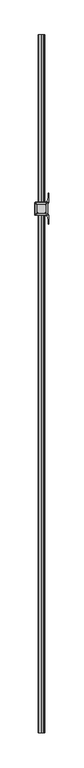
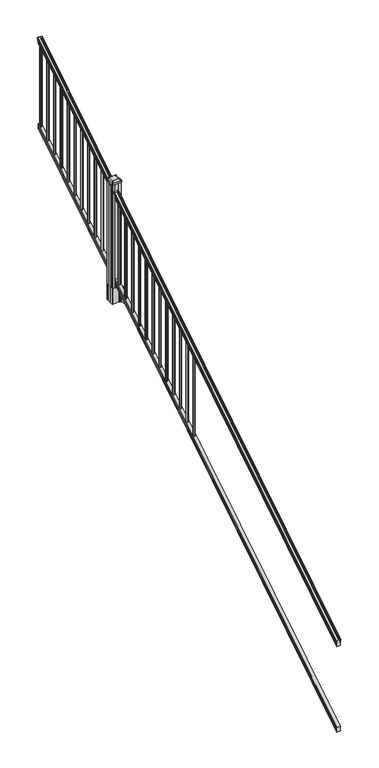
"""IFC4 building model written with IfcOpenShell, lengths in millimetres: railing geometry."""

from ifc_helpers import new_model, si_unit, point, frame, frame_2d, origin, place, context, project, spatial, polyline, circle_curve, ellipse_curve, trimmed, segment, composite_curve, outline, extrude, faceted_brep, source, transform, mapped, element, save
from ifc_brep_helpers import plane_surface, cylinder_surface, revolved_surface, extruded_surface, advanced_brep


def railing_015e70c7(model_context):
    return source(origin(), model_context, "Body", "SolidModel", [
        advanced_brep(
        [(6092.4754996, -22300.2194681, 1133.2070492), (6095.0493284, -22300.2194681, 1133.2070492), (6095.0493284, -22300.2194681, 1120.6394336), (6094.0333284, -22300.2194681, 1119.441318), (6094.0333284, -22300.2194681, 1104.9), (6125.7833284, -22300.2194681, 1104.9), (6125.7833284, -22300.2194681, 1119.6274214), (6124.7673284, -22300.2194681, 1120.825537), (6124.7673284, -22300.2194681, 1133.2070492), (6127.3411571, -22300.2194681, 1133.2070492), (6127.3411571, -22300.2194681, 1135.4335658), (6128.4713434, -22300.2194681, 1137.2758543), (6128.4713434, -22300.2194681, 1145.7876358), (6127.822087, -22300.2194681, 1148.6572588), (6130.322087, -22300.2194681, 1153.7635509), (6131.7314295, -22300.2194681, 1155.7442021), (6132.1333285, -22300.2194681, 1157.0469579), (6132.1333284, -22300.2194681, 1158.6274846), (6130.5798811, -22300.2194681, 1160.4593836), (6109.9083284, -22300.2194681, 1160.4593836), (6089.2367756, -22300.2194681, 1160.4593836), (6087.6833284, -22300.2194681, 1158.6274846), (6087.6833284, -22300.2194681, 1157.0469579), (6088.0852273, -22300.2194681, 1155.7442021), (6089.4945697, -22300.2194681, 1153.7635509), (6091.9945697, -22300.2194681, 1148.6572588), (6091.3453133, -22300.2194681, 1145.7876358), (6091.3453133, -22300.2194681, 1137.2758543), (6092.4754996, -22300.2194681, 1135.4335658), (6092.4754996, -17423.4194681, 4181.2070492), (6092.4754996, -17423.4194681, 4183.4335658), (6091.3453133, -17423.4194681, 4185.2758543), (6091.3453133, -17423.4194681, 4193.7876358), (6091.9945697, -17423.4194681, 4196.6572588), (6089.4945697, -17423.4194681, 4201.7635509), (6088.0852273, -17423.4194681, 4203.7442021), (6087.6833283, -17423.4194681, 4205.0469579), (6087.6833284, -17423.4194681, 4206.6274846), (6089.2367756, -17423.4194681, 4208.4593836), (6109.9083284, -17423.4194681, 4208.4593836), (6130.5798811, -17423.4194681, 4208.4593836), (6132.1333284, -17423.4194681, 4206.6274846), (6132.1333284, -17423.4194681, 4205.0469579), (6131.7314295, -17423.4194681, 4203.7442021), (6130.322087, -17423.4194681, 4201.7635509), (6127.822087, -17423.4194681, 4196.6572588), (6128.4713434, -17423.4194681, 4193.7876358), (6128.4713434, -17423.4194681, 4185.2758543), (6127.3411571, -17423.4194681, 4183.4335658), (6127.3411571, -17423.4194681, 4181.2070492), (6124.7673284, -17423.4194681, 4181.2070492), (6124.7673284, -17423.4194681, 4168.825537), (6125.7833284, -17423.4194681, 4167.6274214), (6125.7833284, -17423.4194681, 4152.9), (6094.0333284, -17423.4194681, 4152.9), (6094.0333284, -17423.4194681, 4167.441318), (6095.0493284, -17423.4194681, 4168.6394336), (6095.0493284, -17423.4194681, 4181.2070492)],
        [
            (0, 1, ellipse_curve(frame((6093.762414, -22300.2194681, 1133.2070492), z_axis=(0.0, -1.0, 0.0), x_axis=(0.0, 0.0, -1.0)), 1.5175907, 1.2869144)),
            (1, 2),
            (2, 3),
            (3, 4),
            (4, 5),
            (5, 6),
            (6, 7),
            (7, 8),
            (8, 9, ellipse_curve(frame((6126.0542427, -22300.2194681, 1133.2070492), z_axis=(0.0, -1.0, 0.0), x_axis=(0.0, 0.0, -1.0)), 1.5175907, 1.2869144)),
            (9, 10),
            (10, 11, ellipse_curve(frame((6121.0264038, -22300.2194681, 1142.2239405), z_axis=(0.0, -1.0, 0.0), x_axis=(0.0, 0.0, -1.0)), 10.0777926, 8.545951)),
            (11, 12, ellipse_curve(frame((6121.4634668, -22300.2194681, 1141.5317451), z_axis=(0.0, -1.0, 0.0), x_axis=(0.0, 0.0, -1.0)), 9.2955186, 7.882584)),
            (12, 13, ellipse_curve(frame((6131.9767909, -22300.2194681, 1148.4275077), z_axis=(0.0, 1.0, 0.0), x_axis=(0.0, 0.0, 1.0)), 4.9048088, 4.1592695)),
            (13, 14, ellipse_curve(frame((6133.2640975, -22300.2194681, 1148.3563208), z_axis=(0.0, 1.0, 0.0), x_axis=(0.0, 0.0, 1.0)), 6.4245301, 5.4479907)),
            (14, 15, ellipse_curve(frame((6132.030939, -22300.2194681, 1153.7602333), z_axis=(0.0, 1.0, 0.0), x_axis=(0.0, 0.0, 1.0)), 2.0151625, 1.7088543)),
            (15, 16, ellipse_curve(frame((6130.4140389, -22300.2194681, 1157.0469579), z_axis=(0.0, -1.0, 0.0), x_axis=(0.0, 0.0, -1.0)), 2.0274681, 1.7192895)),
            (16, 17),
            (17, 18, ellipse_curve(frame((6130.5798811, -22300.2194681, 1158.6274846), z_axis=(0.0, -1.0, 0.0), x_axis=(0.0, 0.0, -1.0)), 1.831899, 1.5534472)),
            (18, 19),
            (19, 20),
            (20, 21, ellipse_curve(frame((6089.2367756, -22300.2194681, 1158.6274846), z_axis=(0.0, -1.0, 0.0), x_axis=(0.0, 0.0, -1.0)), 1.831899, 1.5534472)),
            (21, 22),
            (22, 23, ellipse_curve(frame((6089.4026178, -22300.2194681, 1157.0469579), z_axis=(0.0, -1.0, 0.0), x_axis=(0.0, 0.0, -1.0)), 2.0274681, 1.7192895)),
            (23, 24, ellipse_curve(frame((6087.7857177, -22300.2194681, 1153.7602333), z_axis=(0.0, 1.0, 0.0), x_axis=(0.0, 0.0, 1.0)), 2.0151625, 1.7088543)),
            (24, 25, ellipse_curve(frame((6086.5525593, -22300.2194681, 1148.3563208), z_axis=(0.0, 1.0, 0.0), x_axis=(0.0, 0.0, 1.0)), 6.4245301, 5.4479907)),
            (25, 26, ellipse_curve(frame((6087.8398658, -22300.2194681, 1148.4275077), z_axis=(0.0, 1.0, 0.0), x_axis=(0.0, 0.0, 1.0)), 4.9048088, 4.1592695)),
            (26, 27, ellipse_curve(frame((6098.35319, -22300.2194681, 1141.5317451), z_axis=(0.0, -1.0, 0.0), x_axis=(0.0, 0.0, -1.0)), 9.2955186, 7.882584)),
            (27, 28, ellipse_curve(frame((6098.7902529, -22300.2194681, 1142.2239405), z_axis=(0.0, -1.0, 0.0), x_axis=(0.0, 0.0, -1.0)), 10.0777926, 8.545951)),
            (28, 0),
            (29, 30),
            (30, 31, ellipse_curve(frame((6098.7902529, -17423.4194681, 4190.2239405), z_axis=(0.0, 1.0, 0.0), x_axis=(0.0, 0.0, -1.0)), 10.0777926, 8.545951)),
            (31, 32, ellipse_curve(frame((6098.35319, -17423.4194681, 4189.5317451), z_axis=(0.0, 1.0, 0.0), x_axis=(0.0, 0.0, -1.0)), 9.2955186, 7.882584)),
            (32, 33, ellipse_curve(frame((6087.8398658, -17423.4194681, 4196.4275077), z_axis=(0.0, -1.0, 0.0), x_axis=(0.0, 0.0, 1.0)), 4.9048088, 4.1592695)),
            (33, 34, ellipse_curve(frame((6086.5525593, -17423.4194681, 4196.3563208), z_axis=(0.0, -1.0, 0.0), x_axis=(0.0, 0.0, 1.0)), 6.4245301, 5.4479907)),
            (34, 35, ellipse_curve(frame((6087.7857177, -17423.4194681, 4201.7602333), z_axis=(0.0, -1.0, 0.0), x_axis=(0.0, 0.0, 1.0)), 2.0151625, 1.7088543)),
            (35, 36, ellipse_curve(frame((6089.4026178, -17423.4194681, 4205.0469579), z_axis=(0.0, 1.0, 0.0), x_axis=(0.0, 0.0, -1.0)), 2.0274681, 1.7192895)),
            (36, 37),
            (37, 38, ellipse_curve(frame((6089.2367756, -17423.4194681, 4206.6274846), z_axis=(0.0, 1.0, 0.0), x_axis=(0.0, 0.0, -1.0)), 1.831899, 1.5534472)),
            (38, 39),
            (39, 40),
            (40, 41, ellipse_curve(frame((6130.5798811, -17423.4194681, 4206.6274846), z_axis=(0.0, 1.0, 0.0), x_axis=(0.0, 0.0, -1.0)), 1.831899, 1.5534472)),
            (41, 42),
            (42, 43, ellipse_curve(frame((6130.4140389, -17423.4194681, 4205.0469579), z_axis=(0.0, 1.0, 0.0), x_axis=(0.0, 0.0, -1.0)), 2.0274681, 1.7192895)),
            (43, 44, ellipse_curve(frame((6132.030939, -17423.4194681, 4201.7602333), z_axis=(0.0, -1.0, 0.0), x_axis=(0.0, 0.0, 1.0)), 2.0151625, 1.7088543)),
            (44, 45, ellipse_curve(frame((6133.2640975, -17423.4194681, 4196.3563208), z_axis=(0.0, -1.0, 0.0), x_axis=(0.0, 0.0, 1.0)), 6.4245301, 5.4479907)),
            (45, 46, ellipse_curve(frame((6131.9767909, -17423.4194681, 4196.4275077), z_axis=(0.0, -1.0, 0.0), x_axis=(0.0, 0.0, 1.0)), 4.9048088, 4.1592695)),
            (46, 47, ellipse_curve(frame((6121.4634668, -17423.4194681, 4189.5317451), z_axis=(0.0, 1.0, 0.0), x_axis=(0.0, 0.0, -1.0)), 9.2955186, 7.882584)),
            (47, 48, ellipse_curve(frame((6121.0264038, -17423.4194681, 4190.2239405), z_axis=(0.0, 1.0, 0.0), x_axis=(0.0, 0.0, -1.0)), 10.0777926, 8.545951)),
            (48, 49),
            (49, 50, ellipse_curve(frame((6126.0542427, -17423.4194681, 4181.2070492), z_axis=(0.0, 1.0, 0.0), x_axis=(0.0, 0.0, -1.0)), 1.5175907, 1.2869144)),
            (50, 51),
            (51, 52),
            (52, 53),
            (53, 54),
            (54, 55),
            (55, 56),
            (56, 57),
            (57, 29, ellipse_curve(frame((6093.762414, -17423.4194681, 4181.2070492), z_axis=(0.0, 1.0, 0.0), x_axis=(0.0, 0.0, -1.0)), 1.5175907, 1.2869144)),
            (28, 30),
            (29, 0),
            (27, 31),
            (26, 32),
            (25, 33),
            (24, 34),
            (23, 35),
            (22, 36),
            (21, 37),
            (20, 38),
            (19, 39),
            (18, 40),
            (17, 41),
            (16, 42),
            (15, 43),
            (14, 44),
            (13, 45),
            (12, 46),
            (11, 47),
            (10, 48),
            (9, 49),
            (8, 50),
            (7, 51),
            (6, 52),
            (5, 53),
            (4, 54),
            (3, 55),
            (2, 56),
            (1, 57),
        ],
        [
            plane_surface(frame((6109.9083284, -22300.2194681, 1104.9), z_axis=(0.0, -1.0, 0.0), x_axis=(0.0, 0.0, 1.0))),
            plane_surface(frame((6109.9083284, -17423.4194681, 4152.9), z_axis=(0.0, 1.0, 0.0), x_axis=(0.0, 0.0, 1.0))),
            plane_surface(frame((6092.4754996, -22300.2194681, 1135.4335658), z_axis=(-1.0, 0.0, 0.0), x_axis=(0.0, 0.8479983040051254, 0.5299989400031202))),
            cylinder_surface(frame((6098.7902529, -22316.9942728, 1131.7396876), z_axis=(0.0, -0.8479983040051254, -0.5299989400031202), x_axis=(1.0, 0.0, 0.0)), 8.545951),
            cylinder_surface(frame((6098.35319, -22316.6831737, 1131.241929), z_axis=(0.0, -0.8479983040051254, -0.5299989400031202), x_axis=(1.0, 0.0, 0.0)), 7.882584),
            revolved_surface(polyline([(6091.9991353, -17421.21505965035, 4197.805262980553), (6091.9991353, -22302.423876549437, 1147.0497524191003)]), (6087.8398658, -22319.7823929, 1136.2006797), (0.0, 0.8479983040051254, 0.5299989400031202)),
            revolved_surface(polyline([(6092.000550000001, -17420.53203883574, 4198.160964077182), (6092.000550000001, -22303.10689735281, 1146.551677504493)]), (6086.5525593, -22319.7503988, 1136.1494891), (0.0, 0.8479983040051254, 0.5299989400031202)),
            revolved_surface(polyline([(6089.494572, -17422.513777099783, 4202.326290199653), (6089.494572, -22301.12515912247, 1153.1941764359528)]), (6087.7857177, -22322.1791235, 1140.0354487), (0.0, 0.8479983040051254, 0.5299989400031202)),
            cylinder_surface(frame((6089.4026178, -22323.6563031, 1142.398936), z_axis=(0.0, -0.8479983040051254, -0.5299989400031202), x_axis=(1.0, 0.0, 0.0)), 1.7192895),
            plane_surface(frame((6087.6833284, -22300.2194681, 1158.6274846), z_axis=(-1.0, 0.0, 0.0), x_axis=(0.0, 0.8479983040051254, 0.5299989400031202))),
            cylinder_surface(frame((6089.2367756, -22324.3666522, 1143.5354945), z_axis=(0.0, -0.8479983040051254, -0.5299989400031202), x_axis=(1.0, 0.0, 0.0)), 1.5534472),
            plane_surface(frame((6109.9083284, -22300.2194681, 1160.4593836), z_axis=(0.0, -0.5299989400031202, 0.8479983040051254), x_axis=(0.0, 0.8479983040051254, 0.5299989400031202))),
            plane_surface(frame((6130.5798811, -22300.2194681, 1160.4593836), z_axis=(0.0, -0.5299989400031202, 0.8479983040051254), x_axis=(0.0, 0.8479983040051254, 0.5299989400031202))),
            cylinder_surface(frame((6130.5798811, -22324.3666522, 1143.5354945), z_axis=(0.0, -0.8479983040051254, -0.5299989400031202), x_axis=(-1.0, 0.0, 0.0)), 1.5534472),
            plane_surface(frame((6132.1333284, -22300.2194681, 1157.0469579), z_axis=(1.0, 0.0, 0.0), x_axis=(0.0, 0.8479983040051253, 0.5299989400031203))),
            cylinder_surface(frame((6130.4140389, -22323.6563031, 1142.398936), z_axis=(0.0, -0.8479983040051254, -0.5299989400031202), x_axis=(-1.0, 0.0, 0.0)), 1.7192895),
            revolved_surface(polyline([(6130.3220847, -17422.513777099783, 4202.326290199653), (6130.3220847, -22301.12515912247, 1153.1941764359528)]), (6132.030939, -22322.1791235, 1140.0354487), (0.0, 0.8479983040051254, 0.5299989400031202)),
            revolved_surface(polyline([(6127.8161068, -17420.53203883574, 4198.160964077182), (6127.8161068, -22303.10689735281, 1146.551677504493)]), (6133.2640975, -22319.7503988, 1136.1494891), (0.0, 0.8479983040051254, 0.5299989400031202)),
            revolved_surface(polyline([(6127.8175214, -17421.21505965035, 4197.805262980553), (6127.8175214, -22302.423876549437, 1147.0497524191003)]), (6131.9767909, -22319.7823929, 1136.2006797), (0.0, 0.8479983040051254, 0.5299989400031202)),
            cylinder_surface(frame((6121.4634668, -22316.6831737, 1131.241929), z_axis=(0.0, -0.8479983040051254, -0.5299989400031202), x_axis=(-1.0, 0.0, 0.0)), 7.882584),
            cylinder_surface(frame((6121.0264038, -22316.9942728, 1131.7396876), z_axis=(0.0, -0.8479983040051254, -0.5299989400031202), x_axis=(-1.0, 0.0, 0.0)), 8.545951),
            plane_surface(frame((6127.3411571, -22300.2194681, 1133.2070492), z_axis=(1.0, 0.0, 0.0), x_axis=(0.0, 0.8479983040051254, 0.5299989400031202))),
            cylinder_surface(frame((6126.0542427, -22312.9417374, 1125.2556309), z_axis=(0.0, -0.8479983040051254, -0.5299989400031202), x_axis=(-1.0, 0.0, 0.0)), 1.2869144),
            plane_surface(frame((6124.7673284, -22300.2194681, 1120.825537), z_axis=(1.0, 0.0, 0.0), x_axis=(0.0, 0.8479983040051254, 0.5299989400031202))),
            plane_surface(frame((6125.7833284, -22300.2194681, 1119.6274214), z_axis=(0.7071067811865426, -0.3747658444978919, 0.5996253511967194), x_axis=(0.0, 0.8479983040051254, 0.5299989400031202))),
            plane_surface(frame((6125.7833284, -22300.2194681, 1104.9), z_axis=(1.0, 0.0, 0.0), x_axis=(0.0, 0.8479983040051254, 0.5299989400031202))),
            plane_surface(frame((6094.0333284, -22300.2194681, 1104.9), z_axis=(0.0, 0.5299989400031202, -0.8479983040051254), x_axis=(0.0, 0.8479983040051254, 0.5299989400031202))),
            plane_surface(frame((6094.0333284, -22300.2194681, 1119.441318), z_axis=(-1.0, 0.0, 0.0), x_axis=(0.0, 0.8479983040051254, 0.5299989400031202))),
            plane_surface(frame((6095.0493284, -22300.2194681, 1120.6394336), z_axis=(-0.7071067811865401, -0.37476584449789163, 0.5996253511967224), x_axis=(0.0, 0.8479983040051254, 0.5299989400031202))),
            plane_surface(frame((6095.0493284, -22300.2194681, 1133.2070492), z_axis=(-1.0, 0.0, 0.0), x_axis=(0.0, 0.8479983040051254, 0.5299989400031202))),
            cylinder_surface(frame((6093.762414, -22312.9417374, 1125.2556309), z_axis=(0.0, -0.8479983040051254, -0.5299989400031202), x_axis=(1.0, 0.0, 0.0)), 1.2869144),
        ],
        [
            (0, [[1, 2, 3, 4, 5, 6, 7, 8, 9, 10, 11, 12, 13, 14, 15, 16, 17, 18, 19, 20, 21, 22, 23, 24, 25, 26, 27, 28, 29]]),
            (1, [[30, 31, 32, 33, 34, 35, 36, 37, 38, 39, 40, 41, 42, 43, 44, 45, 46, 47, 48, 49, 50, 51, 52, 53, 54, 55, 56, 57, 58]]),
            (2, [[-29, 59, -30, 60]]),
            (3, [[-28, 61, -31, -59]]),
            (4, [[-27, 62, -32, -61]]),
            (5, [[-26, 63, -33, -62]]),
            (6, [[-25, 64, -34, -63]]),
            (7, [[-24, 65, -35, -64]]),
            (8, [[-23, 66, -36, -65]]),
            (9, [[-22, 67, -37, -66]]),
            (10, [[-21, 68, -38, -67]]),
            (11, [[-20, 69, -39, -68]]),
            (12, [[-19, 70, -40, -69]]),
            (13, [[-18, 71, -41, -70]]),
            (14, [[-17, 72, -42, -71]]),
            (15, [[-16, 73, -43, -72]]),
            (16, [[-15, 74, -44, -73]]),
            (17, [[-14, 75, -45, -74]]),
            (18, [[-13, 76, -46, -75]]),
            (19, [[-12, 77, -47, -76]]),
            (20, [[-11, 78, -48, -77]]),
            (21, [[-10, 79, -49, -78]]),
            (22, [[-9, 80, -50, -79]]),
            (23, [[-8, 81, -51, -80]]),
            (24, [[-7, 82, -52, -81]]),
            (25, [[-6, 83, -53, -82]]),
            (26, [[-5, 84, -54, -83]]),
            (27, [[-4, 85, -55, -84]]),
            (28, [[-3, 86, -56, -85]]),
            (29, [[-2, 87, -57, -86]]),
            (30, [[-1, -60, -58, -87]]),
        ],
    ),
        faceted_brep([(6093.9958415, -22300.2194681, 268.8045079), (6093.9958415, -22300.2194681, 254.0), (6125.7458415, -22300.2194681, 254.0), (6125.7458415, -22300.2194681, 268.7848772), (6124.7298415, -22300.2194681, 270.3748303), (6124.7298415, -22300.2194681, 282.5348741), (6125.7458415, -22300.2194681, 284.1248272), (6125.7458415, -22300.2194681, 298.9244744), (6093.9958415, -22300.2194681, 298.9244744), (6093.9958415, -22300.2194681, 284.1444579), (6095.0118415, -22300.2194681, 282.5545048), (6095.0118415, -22300.2194681, 270.338026), (6093.9958415, -17423.4194681, 3316.8045079), (6095.0118415, -17423.4194681, 3318.338026), (6095.0118415, -17423.4194681, 3330.5545048), (6093.9958415, -17423.4194681, 3332.1444579), (6093.9958415, -17423.4194681, 3346.9244744), (6125.7458415, -17423.4194681, 3346.9244744), (6125.7458415, -17423.4194681, 3332.1248272), (6124.7298415, -17423.4194681, 3330.5348741), (6124.7298415, -17423.4194681, 3318.3748303), (6125.7458415, -17423.4194681, 3316.7848772), (6125.7458415, -17423.4194681, 3302.0), (6093.9958415, -17423.4194681, 3302.0)], [[[0, 1, 2, 3, 4, 5, 6, 7, 8, 9, 10, 11]], [[12, 13, 14, 15, 16, 17, 18, 19, 20, 21, 22, 23]], [[0, 11, 13, 12]], [[11, 10, 14, 13]], [[10, 9, 15, 14]], [[9, 8, 16, 15]], [[8, 7, 17, 16]], [[7, 6, 18, 17]], [[6, 5, 19, 18]], [[5, 4, 20, 19]], [[4, 3, 21, 20]], [[3, 2, 22, 21]], [[2, 1, 23, 22]], [[1, 0, 12, 23]]]),
        extrude(outline(composite_curve([segment(trimmed(circle_curve(frame_2d((6109.9083284, -17445.0094681)), 9.525), [point((6100.3833284, -17445.0094681))], [point((6109.9083284, -17435.4844681))], False, "CARTESIAN"), True, "CONTINUOUS"), segment(trimmed(circle_curve(frame_2d((6109.9083284, -17445.0094681)), 9.525), [point((6109.9083284, -17435.4844681))], [point((6119.4333284, -17445.0094681))], False, "CARTESIAN"), True, "CONTINUOUS"), segment(trimmed(circle_curve(frame_2d((6109.9083284, -17445.0094681)), 9.525), [point((6119.4333284, -17445.0094681))], [point((6109.9083284, -17454.5344681))], False, "CARTESIAN"), True, "CONTINUOUS"), segment(trimmed(circle_curve(frame_2d((6109.9083284, -17445.0094681)), 9.525), [point((6109.9083284, -17454.5344681))], [point((6100.3833284, -17445.0094681))], False, "CARTESIAN"), True, "CONTINUOUS")], self_intersect=False)), frame((0.0, 0.0, 3326.6021281), z_axis=(0.0, 0.0, 1.0), x_axis=(1.0, 0.0, 0.0)), (0.0, 0.0, 1.0), 812.8041219),
        extrude(outline(composite_curve([segment(trimmed(circle_curve(frame_2d((6109.9083284, -17556.2614681)), 9.525), [point((6100.3833284, -17556.2614681))], [point((6109.9083284, -17546.7364681))], False, "CARTESIAN"), True, "CONTINUOUS"), segment(trimmed(circle_curve(frame_2d((6109.9083284, -17556.2614681)), 9.525), [point((6109.9083284, -17546.7364681))], [point((6119.4333284, -17556.2614681))], False, "CARTESIAN"), True, "CONTINUOUS"), segment(trimmed(circle_curve(frame_2d((6109.9083284, -17556.2614681)), 9.525), [point((6119.4333284, -17556.2614681))], [point((6109.9083284, -17565.7864681))], False, "CARTESIAN"), True, "CONTINUOUS"), segment(trimmed(circle_curve(frame_2d((6109.9083284, -17556.2614681)), 9.525), [point((6109.9083284, -17565.7864681))], [point((6100.3833284, -17556.2614681))], False, "CARTESIAN"), True, "CONTINUOUS")], self_intersect=False)), frame((0.0, 0.0, 3257.0696281), z_axis=(0.0, 0.0, 1.0), x_axis=(1.0, 0.0, 0.0)), (0.0, 0.0, 1.0), 812.8041219),
        extrude(outline(composite_curve([segment(trimmed(circle_curve(frame_2d((6109.9083284, -17667.5134681)), 9.525), [point((6100.3833284, -17667.5134681))], [point((6109.9083284, -17657.9884681))], False, "CARTESIAN"), True, "CONTINUOUS"), segment(trimmed(circle_curve(frame_2d((6109.9083284, -17667.5134681)), 9.525), [point((6109.9083284, -17657.9884681))], [point((6119.4333284, -17667.5134681))], False, "CARTESIAN"), True, "CONTINUOUS"), segment(trimmed(circle_curve(frame_2d((6109.9083284, -17667.5134681)), 9.525), [point((6119.4333284, -17667.5134681))], [point((6109.9083284, -17677.0384681))], False, "CARTESIAN"), True, "CONTINUOUS"), segment(trimmed(circle_curve(frame_2d((6109.9083284, -17667.5134681)), 9.525), [point((6109.9083284, -17677.0384681))], [point((6100.3833284, -17667.5134681))], False, "CARTESIAN"), True, "CONTINUOUS")], self_intersect=False)), frame((0.0, 0.0, 3187.5371281), z_axis=(0.0, 0.0, 1.0), x_axis=(1.0, 0.0, 0.0)), (0.0, 0.0, 1.0), 812.8041219),
        extrude(outline(composite_curve([segment(trimmed(circle_curve(frame_2d((6109.9083284, -17778.7654681)), 9.525), [point((6100.3833284, -17778.7654681))], [point((6109.9083284, -17769.2404681))], False, "CARTESIAN"), True, "CONTINUOUS"), segment(trimmed(circle_curve(frame_2d((6109.9083284, -17778.7654681)), 9.525), [point((6109.9083284, -17769.2404681))], [point((6119.4333284, -17778.7654681))], False, "CARTESIAN"), True, "CONTINUOUS"), segment(trimmed(circle_curve(frame_2d((6109.9083284, -17778.7654681)), 9.525), [point((6119.4333284, -17778.7654681))], [point((6109.9083284, -17788.2904681))], False, "CARTESIAN"), True, "CONTINUOUS"), segment(trimmed(circle_curve(frame_2d((6109.9083284, -17778.7654681)), 9.525), [point((6109.9083284, -17788.2904681))], [point((6100.3833284, -17778.7654681))], False, "CARTESIAN"), True, "CONTINUOUS")], self_intersect=False)), frame((0.0, 0.0, 3118.0046281), z_axis=(0.0, 0.0, 1.0), x_axis=(1.0, 0.0, 0.0)), (0.0, 0.0, 1.0), 812.8041219),
        extrude(outline(composite_curve([segment(trimmed(circle_curve(frame_2d((6109.9083284, -17890.0174681)), 9.525), [point((6100.3833284, -17890.0174681))], [point((6109.9083284, -17880.4924681))], False, "CARTESIAN"), True, "CONTINUOUS"), segment(trimmed(circle_curve(frame_2d((6109.9083284, -17890.0174681)), 9.525), [point((6109.9083284, -17880.4924681))], [point((6119.4333284, -17890.0174681))], False, "CARTESIAN"), True, "CONTINUOUS"), segment(trimmed(circle_curve(frame_2d((6109.9083284, -17890.0174681)), 9.525), [point((6119.4333284, -17890.0174681))], [point((6109.9083284, -17899.5424681))], False, "CARTESIAN"), True, "CONTINUOUS"), segment(trimmed(circle_curve(frame_2d((6109.9083284, -17890.0174681)), 9.525), [point((6109.9083284, -17899.5424681))], [point((6100.3833284, -17890.0174681))], False, "CARTESIAN"), True, "CONTINUOUS")], self_intersect=False)), frame((0.0, 0.0, 3048.4721281), z_axis=(0.0, 0.0, 1.0), x_axis=(1.0, 0.0, 0.0)), (0.0, 0.0, 1.0), 812.8041219),
        extrude(outline(composite_curve([segment(trimmed(circle_curve(frame_2d((6109.9083284, -18001.2694681)), 9.525), [point((6100.3833284, -18001.2694681))], [point((6109.9083284, -17991.7444681))], False, "CARTESIAN"), True, "CONTINUOUS"), segment(trimmed(circle_curve(frame_2d((6109.9083284, -18001.2694681)), 9.525), [point((6109.9083284, -17991.7444681))], [point((6119.4333284, -18001.2694681))], False, "CARTESIAN"), True, "CONTINUOUS"), segment(trimmed(circle_curve(frame_2d((6109.9083284, -18001.2694681)), 9.525), [point((6119.4333284, -18001.2694681))], [point((6109.9083284, -18010.7944681))], False, "CARTESIAN"), True, "CONTINUOUS"), segment(trimmed(circle_curve(frame_2d((6109.9083284, -18001.2694681)), 9.525), [point((6109.9083284, -18010.7944681))], [point((6100.3833284, -18001.2694681))], False, "CARTESIAN"), True, "CONTINUOUS")], self_intersect=False)), frame((0.0, 0.0, 2978.9396281), z_axis=(0.0, 0.0, 1.0), x_axis=(1.0, 0.0, 0.0)), (0.0, 0.0, 1.0), 812.8041219),
        extrude(outline(composite_curve([segment(trimmed(circle_curve(frame_2d((6109.9083284, -18112.5214681)), 9.525), [point((6100.3833284, -18112.5214681))], [point((6109.9083284, -18102.9964681))], False, "CARTESIAN"), True, "CONTINUOUS"), segment(trimmed(circle_curve(frame_2d((6109.9083284, -18112.5214681)), 9.525), [point((6109.9083284, -18102.9964681))], [point((6119.4333284, -18112.5214681))], False, "CARTESIAN"), True, "CONTINUOUS"), segment(trimmed(circle_curve(frame_2d((6109.9083284, -18112.5214681)), 9.525), [point((6119.4333284, -18112.5214681))], [point((6109.9083284, -18122.0464681))], False, "CARTESIAN"), True, "CONTINUOUS"), segment(trimmed(circle_curve(frame_2d((6109.9083284, -18112.5214681)), 9.525), [point((6109.9083284, -18122.0464681))], [point((6100.3833284, -18112.5214681))], False, "CARTESIAN"), True, "CONTINUOUS")], self_intersect=False)), frame((0.0, 0.0, 2909.4071281), z_axis=(0.0, 0.0, 1.0), x_axis=(1.0, 0.0, 0.0)), (0.0, 0.0, 1.0), 812.8041219),
        extrude(outline(composite_curve([segment(trimmed(circle_curve(frame_2d((6109.9083284, -18223.7734681)), 9.525), [point((6100.3833284, -18223.7734681))], [point((6109.9083284, -18214.2484681))], False, "CARTESIAN"), True, "CONTINUOUS"), segment(trimmed(circle_curve(frame_2d((6109.9083284, -18223.7734681)), 9.525), [point((6109.9083284, -18214.2484681))], [point((6119.4333284, -18223.7734681))], False, "CARTESIAN"), True, "CONTINUOUS"), segment(trimmed(circle_curve(frame_2d((6109.9083284, -18223.7734681)), 9.525), [point((6119.4333284, -18223.7734681))], [point((6109.9083284, -18233.2984681))], False, "CARTESIAN"), True, "CONTINUOUS"), segment(trimmed(circle_curve(frame_2d((6109.9083284, -18223.7734681)), 9.525), [point((6109.9083284, -18233.2984681))], [point((6100.3833284, -18223.7734681))], False, "CARTESIAN"), True, "CONTINUOUS")], self_intersect=False)), frame((0.0, 0.0, 2839.8746281), z_axis=(0.0, 0.0, 1.0), x_axis=(1.0, 0.0, 0.0)), (0.0, 0.0, 1.0), 812.8041219),
        extrude(outline(composite_curve([segment(trimmed(circle_curve(frame_2d((6109.9083284, -18335.0254681)), 9.525), [point((6100.3833284, -18335.0254681))], [point((6109.9083284, -18325.5004681))], False, "CARTESIAN"), True, "CONTINUOUS"), segment(trimmed(circle_curve(frame_2d((6109.9083284, -18335.0254681)), 9.525), [point((6109.9083284, -18325.5004681))], [point((6119.4333284, -18335.0254681))], False, "CARTESIAN"), True, "CONTINUOUS"), segment(trimmed(circle_curve(frame_2d((6109.9083284, -18335.0254681)), 9.525), [point((6119.4333284, -18335.0254681))], [point((6109.9083284, -18344.5504681))], False, "CARTESIAN"), True, "CONTINUOUS"), segment(trimmed(circle_curve(frame_2d((6109.9083284, -18335.0254681)), 9.525), [point((6109.9083284, -18344.5504681))], [point((6100.3833284, -18335.0254681))], False, "CARTESIAN"), True, "CONTINUOUS")], self_intersect=False)), frame((0.0, 0.0, 2770.3421281), z_axis=(0.0, 0.0, 1.0), x_axis=(1.0, 0.0, 0.0)), (0.0, 0.0, 1.0), 812.8041219),
        extrude(outline(composite_curve([segment(trimmed(circle_curve(frame_2d((6109.9083284, -18446.2774681)), 9.525), [point((6100.3833284, -18446.2774681))], [point((6109.9083284, -18436.7524681))], False, "CARTESIAN"), True, "CONTINUOUS"), segment(trimmed(circle_curve(frame_2d((6109.9083284, -18446.2774681)), 9.525), [point((6109.9083284, -18436.7524681))], [point((6119.4333284, -18446.2774681))], False, "CARTESIAN"), True, "CONTINUOUS"), segment(trimmed(circle_curve(frame_2d((6109.9083284, -18446.2774681)), 9.525), [point((6119.4333284, -18446.2774681))], [point((6109.9083284, -18455.8024681))], False, "CARTESIAN"), True, "CONTINUOUS"), segment(trimmed(circle_curve(frame_2d((6109.9083284, -18446.2774681)), 9.525), [point((6109.9083284, -18455.8024681))], [point((6100.3833284, -18446.2774681))], False, "CARTESIAN"), True, "CONTINUOUS")], self_intersect=False)), frame((0.0, 0.0, 2700.8096281), z_axis=(0.0, 0.0, 1.0), x_axis=(1.0, 0.0, 0.0)), (0.0, 0.0, 1.0), 812.8041219),
        extrude(outline(composite_curve([segment(trimmed(circle_curve(frame_2d((6109.9083284, -18557.5294681)), 9.525), [point((6100.3833284, -18557.5294681))], [point((6109.9083284, -18548.0044681))], False, "CARTESIAN"), True, "CONTINUOUS"), segment(trimmed(circle_curve(frame_2d((6109.9083284, -18557.5294681)), 9.525), [point((6109.9083284, -18548.0044681))], [point((6119.4333284, -18557.5294681))], False, "CARTESIAN"), True, "CONTINUOUS"), segment(trimmed(circle_curve(frame_2d((6109.9083284, -18557.5294681)), 9.525), [point((6119.4333284, -18557.5294681))], [point((6109.9083284, -18567.0544681))], False, "CARTESIAN"), True, "CONTINUOUS"), segment(trimmed(circle_curve(frame_2d((6109.9083284, -18557.5294681)), 9.525), [point((6109.9083284, -18567.0544681))], [point((6100.3833284, -18557.5294681))], False, "CARTESIAN"), True, "CONTINUOUS")], self_intersect=False)), frame((0.0, 0.0, 2631.2771281), z_axis=(0.0, 0.0, 1.0), x_axis=(1.0, 0.0, 0.0)), (0.0, 0.0, 1.0), 812.8041219),
        extrude(outline(composite_curve([segment(polyline([(6067.1728284, -18655.941563), (6067.1728284, -18621.1693732), (6065.5853284, -18620.4073732), (6065.5853284, -18597.6054452), (6068.9583054, -18594.2324681), (6130.4179763, -18594.2324681), (6130.4179763, -18593.3117181), (6135.7355201, -18593.3117181), (6135.7355201, -18591.8574634), (6140.8200498, -18591.8574634), (6140.8200498, -18590.5734396), (6142.4873221, -18590.5734396)]), True, "CONTINUOUS"), segment(trimmed(circle_curve(frame_2d((6142.4873221, -18583.5139797)), 7.0594599), [point((6142.4873221, -18590.5734396))], [point((6149.2545849, -18585.5239864))], True, "CARTESIAN"), True, "CONTINUOUS"), segment(polyline([(6149.2545849, -18585.5239864), (6157.1287792, -18559.0132573)]), True, "CONTINUOUS"), segment(trimmed(circle_curve(frame_2d((6102.3442659, -18542.7412076)), 57.15), [point((6157.1287792, -18559.0132573))], [point((6159.4942659, -18542.7412076))], True, "CARTESIAN"), True, "CONTINUOUS"), segment(polyline([(6159.4942659, -18542.7412076), (6159.4942659, -18530.7324681), (6162.4942659, -18530.7324681), (6162.4942659, -18595.8199681), (6154.2313284, -18607.1582594), (6154.2313284, -18620.4073732), (6152.6438284, -18621.1693732), (6152.6438284, -18655.941563), (6154.2313284, -18656.703563), (6154.2313284, -18669.9526768), (6162.4942659, -18681.2909681), (6162.4942659, -18746.3784681), (6159.4942659, -18746.3784681), (6159.4942659, -18734.3697285)]), True, "CONTINUOUS"), segment(trimmed(circle_curve(frame_2d((6102.3442659, -18734.3697285)), 57.15), [point((6159.4942659, -18734.3697285))], [point((6157.1287792, -18718.0976789))], True, "CARTESIAN"), True, "CONTINUOUS"), segment(polyline([(6157.1287792, -18718.0976789), (6149.2545849, -18691.5869498)]), True, "CONTINUOUS"), segment(trimmed(circle_curve(frame_2d((6142.4873221, -18693.5969565)), 7.0594599), [point((6149.2545849, -18691.5869498))], [point((6142.4873221, -18686.5374966))], True, "CARTESIAN"), True, "CONTINUOUS"), segment(polyline([(6142.4873221, -18686.5374966), (6140.8200498, -18686.5374966), (6140.8200498, -18685.2534728), (6135.7355201, -18685.2534728), (6135.7355201, -18683.7992181), (6130.4179763, -18683.7992181), (6130.4179763, -18682.8784681), (6068.9583054, -18682.8784681), (6065.5853284, -18679.505491), (6065.5853284, -18656.703563), (6067.1728284, -18655.941563)]), True, "CONTINUOUS")], self_intersect=False), holes=[polyline([(6151.1833284, -18598.8679681), (6149.5958284, -18597.2804681), (6112.6715458, -18597.2804681), (6070.2208284, -18597.2804681), (6068.6333284, -18598.8679681), (6068.6333284, -18678.2429681), (6070.2208284, -18679.8304681), (6112.6715458, -18679.8304681), (6149.5958284, -18679.8304681), (6151.1833284, -18678.2429681), (6151.1833284, -18598.8679681)])]), frame((0.0, 0.0, 2326.64), z_axis=(0.0, 0.0, 1.0), x_axis=(1.0, 0.0, 0.0)), (0.0, 0.0, 1.0), 152.4),
        advanced_brep(
        [(6135.7052034, -18667.5273431, 3538.979263), (6138.8802034, -18664.3523431, 3538.979263), (6138.8802034, -18612.7585931, 3538.979263), (6135.7052034, -18609.5835931, 3538.979263), (6084.1114534, -18609.5835931, 3538.979263), (6080.9364534, -18612.7585931, 3538.979263), (6080.9364534, -18664.3523431, 3538.979263), (6084.1114534, -18667.5273431, 3538.979263), (6151.9770784, -18683.7992181, 3527.676263), (6067.8395784, -18683.7992181, 3527.676263), (6064.6645784, -18680.6242181, 3527.676263), (6064.6645784, -18596.4867181, 3527.676263), (6067.8395784, -18593.3117181, 3527.676263), (6151.9770784, -18593.3117181, 3527.676263), (6155.1520784, -18596.4867181, 3527.676263), (6155.1520784, -18680.6242181, 3527.676263)],
        [
            (0, 1, circle_curve(frame((6135.7052034, -18664.3523431, 3538.979263), z_axis=(0.0, 0.0, 1.0), x_axis=(0.0, 1.0, 0.0)), 3.175)),
            (1, 2),
            (2, 3, circle_curve(frame((6135.7052034, -18612.7585931, 3538.979263), z_axis=(0.0, 0.0, 1.0), x_axis=(0.0, 1.0, 0.0)), 3.175)),
            (3, 4),
            (4, 5, circle_curve(frame((6084.1114534, -18612.7585931, 3538.979263), z_axis=(0.0, 0.0, 1.0), x_axis=(0.0, 1.0, 0.0)), 3.175)),
            (5, 6),
            (6, 7, circle_curve(frame((6084.1114534, -18664.3523431, 3538.979263), z_axis=(0.0, 0.0, 1.0), x_axis=(0.0, 1.0, 0.0)), 3.175)),
            (7, 0),
            (8, 9),
            (9, 10, circle_curve(frame((6067.8395784, -18680.6242181, 3527.676263), z_axis=(0.0, 0.0, -1.0), x_axis=(0.0, 1.0, 0.0)), 3.175)),
            (10, 11),
            (11, 12, circle_curve(frame((6067.8395784, -18596.4867181, 3527.676263), z_axis=(0.0, 0.0, -1.0), x_axis=(0.0, 1.0, 0.0)), 3.175)),
            (12, 13),
            (13, 14, circle_curve(frame((6151.9770784, -18596.4867181, 3527.676263), z_axis=(0.0, 0.0, -1.0), x_axis=(0.0, 1.0, 0.0)), 3.175)),
            (14, 15),
            (15, 8, circle_curve(frame((6151.9770784, -18680.6242181, 3527.676263), z_axis=(0.0, 0.0, -1.0), x_axis=(0.0, 1.0, 0.0)), 3.175)),
            (15, 1),
            (0, 8),
            (14, 2),
            (13, 3),
            (12, 4),
            (11, 5),
            (10, 6),
            (9, 7),
        ],
        [
            plane_surface(frame((6109.9083284, -18638.5554681, 3538.979263), z_axis=(0.0, 0.0, 1.0), x_axis=(1.0, 0.0, 0.0))),
            plane_surface(frame((6109.9083284, -18638.5554681, 3527.676263), z_axis=(0.0, 0.0, -1.0), x_axis=(1.0, 0.0, 0.0))),
            extruded_surface(trimmed(circle_curve(frame((6151.9770784, -18680.6242181, 3527.676263), z_axis=(0.0, 0.0, 1.0), x_axis=(0.0, 1.0, 0.0)), 3.175), [point((6151.9770784, -18683.7992181, 3527.676263))], [point((6155.1520784, -18680.6242181, 3527.676263))], True, "CARTESIAN"), (-16.271875000000364, 16.271875000002183, 11.303000000000338), 25.63797263886793),
            plane_surface(frame((6155.1520784, -18638.5554681, 3527.676263), z_axis=(0.5705009161540778, 0.0, 0.8212969649690408), x_axis=(0.0, 1.0, 0.0))),
            extruded_surface(trimmed(circle_curve(frame((6151.9770784, -18596.4867181, 3527.676263), z_axis=(0.0, 0.0, 1.0), x_axis=(0.0, 1.0, 0.0)), 3.175), [point((6155.1520784, -18596.4867181, 3527.676263))], [point((6151.9770784, -18593.3117181, 3527.676263))], True, "CARTESIAN"), (-16.271875000000364, -16.271874999998545, 11.303000000000338), 25.63797263886562),
            plane_surface(frame((6109.9083284, -18593.3117181, 3527.676263), z_axis=(0.0, 0.5705009161540291, 0.8212969649690747), x_axis=(-1.0, 0.0, 0.0))),
            extruded_surface(trimmed(circle_curve(frame((6067.8395784, -18596.4867181, 3527.676263), z_axis=(0.0, 0.0, 1.0), x_axis=(0.0, 1.0, 0.0)), 3.175), [point((6067.8395784, -18593.3117181, 3527.676263))], [point((6064.6645784, -18596.4867181, 3527.676263))], True, "CARTESIAN"), (16.271874999999454, -16.271874999998545, 11.303000000000338), 25.63797263886504),
            plane_surface(frame((6064.6645784, -18638.5554681, 3527.676263), z_axis=(-0.5705009161540142, 0.0, 0.8212969649690851), x_axis=(0.0, -1.0, 0.0))),
            extruded_surface(trimmed(circle_curve(frame((6067.8395784, -18680.6242181, 3527.676263), z_axis=(0.0, 0.0, 1.0), x_axis=(0.0, 1.0, 0.0)), 3.175), [point((6064.6645784, -18680.6242181, 3527.676263))], [point((6067.8395784, -18683.7992181, 3527.676263))], True, "CARTESIAN"), (16.271874999999454, 16.271875000002183, 11.303000000000338), 25.637972638867353),
            plane_surface(frame((6109.9083284, -18683.7992181, 3527.676263), z_axis=(0.0, -0.570500916154034, 0.8212969649690713), x_axis=(1.0, 0.0, 0.0))),
        ],
        [
            (0, [[1, 2, 3, 4, 5, 6, 7, 8]]),
            (1, [[9, 10, 11, 12, 13, 14, 15, 16]]),
            (2, [[-16, 17, -1, 18]]),
            (3, [[-15, 19, -2, -17]]),
            (4, [[-14, 20, -3, -19]]),
            (5, [[-13, 21, -4, -20]]),
            (6, [[-12, 22, -5, -21]]),
            (7, [[-11, 23, -6, -22]]),
            (8, [[-10, 24, -7, -23]]),
            (9, [[-9, -18, -8, -24]]),
        ],
    ),
        extrude(outline(composite_curve([segment(polyline([(6151.9770784, -18683.7992181), (6067.8395784, -18683.7992181)]), True, "CONTINUOUS"), segment(trimmed(circle_curve(frame_2d((6067.8395784, -18680.6242181)), 3.175), [point((6067.8395784, -18683.7992181))], [point((6064.6645784, -18680.6242181))], False, "CARTESIAN"), True, "CONTINUOUS"), segment(polyline([(6064.6645784, -18680.6242181), (6064.6645784, -18596.4867181)]), True, "CONTINUOUS"), segment(trimmed(circle_curve(frame_2d((6067.8395784, -18596.4867181)), 3.175), [point((6064.6645784, -18596.4867181))], [point((6067.8395784, -18593.3117181))], False, "CARTESIAN"), True, "CONTINUOUS"), segment(polyline([(6067.8395784, -18593.3117181), (6151.9770784, -18593.3117181)]), True, "CONTINUOUS"), segment(trimmed(circle_curve(frame_2d((6151.9770784, -18596.4867181)), 3.175), [point((6151.9770784, -18593.3117181))], [point((6155.1520784, -18596.4867181))], False, "CARTESIAN"), True, "CONTINUOUS"), segment(polyline([(6155.1520784, -18596.4867181), (6155.1520784, -18680.6242181)]), True, "CONTINUOUS"), segment(trimmed(circle_curve(frame_2d((6151.9770784, -18680.6242181)), 3.175), [point((6155.1520784, -18680.6242181))], [point((6151.9770784, -18683.7992181))], False, "CARTESIAN"), True, "CONTINUOUS")], self_intersect=False)), frame((0.0, 0.0, 3510.404263), z_axis=(0.0, 0.0, 1.0), x_axis=(1.0, 0.0, 0.0)), (0.0, 0.0, 1.0), 17.272),
        extrude(outline(polyline([(6149.5958284, -18679.8304681), (6129.9743284, -18679.8304681), (6129.2123284, -18678.2429681), (6090.6043284, -18678.2429681), (6089.8423284, -18679.8304681), (6070.2208284, -18679.8304681), (6068.6333284, -18678.2429681), (6068.6333284, -18658.6214681), (6070.2208284, -18657.8594681), (6070.2208284, -18619.2514681), (6068.6333284, -18618.4894681), (6068.6333284, -18598.8679681), (6070.2208284, -18597.2804681), (6089.8423284, -18597.2804681), (6090.6043284, -18598.8679681), (6129.2123284, -18598.8679681), (6129.9743284, -18597.2804681), (6149.5958284, -18597.2804681), (6151.1833284, -18598.8679681), (6151.1833284, -18618.4894681), (6149.5958284, -18619.2514681), (6149.5958284, -18657.8594681), (6151.1833284, -18658.6214681), (6151.1833284, -18678.2429681), (6149.5958284, -18679.8304681)])), frame((0.0, 0.0, 2479.04), z_axis=(0.0, 0.0, 1.0), x_axis=(1.0, 0.0, 0.0)), (0.0, 0.0, 1.0), 1031.364263),
        extrude(outline(composite_curve([segment(trimmed(circle_curve(frame_2d((6109.9083284, -18719.5814681)), 9.525), [point((6100.3833284, -18719.5814681))], [point((6109.9083284, -18710.0564681))], False, "CARTESIAN"), True, "CONTINUOUS"), segment(trimmed(circle_curve(frame_2d((6109.9083284, -18719.5814681)), 9.525), [point((6109.9083284, -18710.0564681))], [point((6119.4333284, -18719.5814681))], False, "CARTESIAN"), True, "CONTINUOUS"), segment(trimmed(circle_curve(frame_2d((6109.9083284, -18719.5814681)), 9.525), [point((6119.4333284, -18719.5814681))], [point((6109.9083284, -18729.1064681))], False, "CARTESIAN"), True, "CONTINUOUS"), segment(trimmed(circle_curve(frame_2d((6109.9083284, -18719.5814681)), 9.525), [point((6109.9083284, -18729.1064681))], [point((6100.3833284, -18719.5814681))], False, "CARTESIAN"), True, "CONTINUOUS")], self_intersect=False)), frame((0.0, 0.0, 2529.9946281), z_axis=(0.0, 0.0, 1.0), x_axis=(1.0, 0.0, 0.0)), (0.0, 0.0, 1.0), 812.8041219),
        extrude(outline(composite_curve([segment(trimmed(circle_curve(frame_2d((6109.9083284, -18830.8334681)), 9.525), [point((6100.3833284, -18830.8334681))], [point((6109.9083284, -18821.3084681))], False, "CARTESIAN"), True, "CONTINUOUS"), segment(trimmed(circle_curve(frame_2d((6109.9083284, -18830.8334681)), 9.525), [point((6109.9083284, -18821.3084681))], [point((6119.4333284, -18830.8334681))], False, "CARTESIAN"), True, "CONTINUOUS"), segment(trimmed(circle_curve(frame_2d((6109.9083284, -18830.8334681)), 9.525), [point((6119.4333284, -18830.8334681))], [point((6109.9083284, -18840.3584681))], False, "CARTESIAN"), True, "CONTINUOUS"), segment(trimmed(circle_curve(frame_2d((6109.9083284, -18830.8334681)), 9.525), [point((6109.9083284, -18840.3584681))], [point((6100.3833284, -18830.8334681))], False, "CARTESIAN"), True, "CONTINUOUS")], self_intersect=False)), frame((0.0, 0.0, 2460.4621281), z_axis=(0.0, 0.0, 1.0), x_axis=(1.0, 0.0, 0.0)), (0.0, 0.0, 1.0), 812.8041219),
        extrude(outline(composite_curve([segment(trimmed(circle_curve(frame_2d((6109.9083284, -18942.0854681)), 9.525), [point((6100.3833284, -18942.0854681))], [point((6109.9083284, -18932.5604681))], False, "CARTESIAN"), True, "CONTINUOUS"), segment(trimmed(circle_curve(frame_2d((6109.9083284, -18942.0854681)), 9.525), [point((6109.9083284, -18932.5604681))], [point((6119.4333284, -18942.0854681))], False, "CARTESIAN"), True, "CONTINUOUS"), segment(trimmed(circle_curve(frame_2d((6109.9083284, -18942.0854681)), 9.525), [point((6119.4333284, -18942.0854681))], [point((6109.9083284, -18951.6104681))], False, "CARTESIAN"), True, "CONTINUOUS"), segment(trimmed(circle_curve(frame_2d((6109.9083284, -18942.0854681)), 9.525), [point((6109.9083284, -18951.6104681))], [point((6100.3833284, -18942.0854681))], False, "CARTESIAN"), True, "CONTINUOUS")], self_intersect=False)), frame((0.0, 0.0, 2390.9296281), z_axis=(0.0, 0.0, 1.0), x_axis=(1.0, 0.0, 0.0)), (0.0, 0.0, 1.0), 812.8041219),
        extrude(outline(composite_curve([segment(trimmed(circle_curve(frame_2d((6109.9083284, -19053.3374681)), 9.525), [point((6100.3833284, -19053.3374681))], [point((6109.9083284, -19043.8124681))], False, "CARTESIAN"), True, "CONTINUOUS"), segment(trimmed(circle_curve(frame_2d((6109.9083284, -19053.3374681)), 9.525), [point((6109.9083284, -19043.8124681))], [point((6119.4333284, -19053.3374681))], False, "CARTESIAN"), True, "CONTINUOUS"), segment(trimmed(circle_curve(frame_2d((6109.9083284, -19053.3374681)), 9.525), [point((6119.4333284, -19053.3374681))], [point((6109.9083284, -19062.8624681))], False, "CARTESIAN"), True, "CONTINUOUS"), segment(trimmed(circle_curve(frame_2d((6109.9083284, -19053.3374681)), 9.525), [point((6109.9083284, -19062.8624681))], [point((6100.3833284, -19053.3374681))], False, "CARTESIAN"), True, "CONTINUOUS")], self_intersect=False)), frame((0.0, 0.0, 2321.3971281), z_axis=(0.0, 0.0, 1.0), x_axis=(1.0, 0.0, 0.0)), (0.0, 0.0, 1.0), 812.8041219),
        extrude(outline(composite_curve([segment(trimmed(circle_curve(frame_2d((6109.9083284, -19164.5894681)), 9.525), [point((6100.3833284, -19164.5894681))], [point((6109.9083284, -19155.0644681))], False, "CARTESIAN"), True, "CONTINUOUS"), segment(trimmed(circle_curve(frame_2d((6109.9083284, -19164.5894681)), 9.525), [point((6109.9083284, -19155.0644681))], [point((6119.4333284, -19164.5894681))], False, "CARTESIAN"), True, "CONTINUOUS"), segment(trimmed(circle_curve(frame_2d((6109.9083284, -19164.5894681)), 9.525), [point((6119.4333284, -19164.5894681))], [point((6109.9083284, -19174.1144681))], False, "CARTESIAN"), True, "CONTINUOUS"), segment(trimmed(circle_curve(frame_2d((6109.9083284, -19164.5894681)), 9.525), [point((6109.9083284, -19174.1144681))], [point((6100.3833284, -19164.5894681))], False, "CARTESIAN"), True, "CONTINUOUS")], self_intersect=False)), frame((0.0, 0.0, 2251.8646281), z_axis=(0.0, 0.0, 1.0), x_axis=(1.0, 0.0, 0.0)), (0.0, 0.0, 1.0), 812.8041219),
        extrude(outline(composite_curve([segment(trimmed(circle_curve(frame_2d((6109.9083284, -19275.8414681)), 9.525), [point((6100.3833284, -19275.8414681))], [point((6109.9083284, -19266.3164681))], False, "CARTESIAN"), True, "CONTINUOUS"), segment(trimmed(circle_curve(frame_2d((6109.9083284, -19275.8414681)), 9.525), [point((6109.9083284, -19266.3164681))], [point((6119.4333284, -19275.8414681))], False, "CARTESIAN"), True, "CONTINUOUS"), segment(trimmed(circle_curve(frame_2d((6109.9083284, -19275.8414681)), 9.525), [point((6119.4333284, -19275.8414681))], [point((6109.9083284, -19285.3664681))], False, "CARTESIAN"), True, "CONTINUOUS"), segment(trimmed(circle_curve(frame_2d((6109.9083284, -19275.8414681)), 9.525), [point((6109.9083284, -19285.3664681))], [point((6100.3833284, -19275.8414681))], False, "CARTESIAN"), True, "CONTINUOUS")], self_intersect=False)), frame((0.0, 0.0, 2182.3321281), z_axis=(0.0, 0.0, 1.0), x_axis=(1.0, 0.0, 0.0)), (0.0, 0.0, 1.0), 812.8041219),
        extrude(outline(composite_curve([segment(trimmed(circle_curve(frame_2d((6109.9083284, -19387.0934681)), 9.525), [point((6100.3833284, -19387.0934681))], [point((6109.9083284, -19377.5684681))], False, "CARTESIAN"), True, "CONTINUOUS"), segment(trimmed(circle_curve(frame_2d((6109.9083284, -19387.0934681)), 9.525), [point((6109.9083284, -19377.5684681))], [point((6119.4333284, -19387.0934681))], False, "CARTESIAN"), True, "CONTINUOUS"), segment(trimmed(circle_curve(frame_2d((6109.9083284, -19387.0934681)), 9.525), [point((6119.4333284, -19387.0934681))], [point((6109.9083284, -19396.6184681))], False, "CARTESIAN"), True, "CONTINUOUS"), segment(trimmed(circle_curve(frame_2d((6109.9083284, -19387.0934681)), 9.525), [point((6109.9083284, -19396.6184681))], [point((6100.3833284, -19387.0934681))], False, "CARTESIAN"), True, "CONTINUOUS")], self_intersect=False)), frame((0.0, 0.0, 2112.7996281), z_axis=(0.0, 0.0, 1.0), x_axis=(1.0, 0.0, 0.0)), (0.0, 0.0, 1.0), 812.8041219),
        extrude(outline(composite_curve([segment(trimmed(circle_curve(frame_2d((6109.9083284, -19498.3454681)), 9.525), [point((6100.3833284, -19498.3454681))], [point((6109.9083284, -19488.8204681))], False, "CARTESIAN"), True, "CONTINUOUS"), segment(trimmed(circle_curve(frame_2d((6109.9083284, -19498.3454681)), 9.525), [point((6109.9083284, -19488.8204681))], [point((6119.4333284, -19498.3454681))], False, "CARTESIAN"), True, "CONTINUOUS"), segment(trimmed(circle_curve(frame_2d((6109.9083284, -19498.3454681)), 9.525), [point((6119.4333284, -19498.3454681))], [point((6109.9083284, -19507.8704681))], False, "CARTESIAN"), True, "CONTINUOUS"), segment(trimmed(circle_curve(frame_2d((6109.9083284, -19498.3454681)), 9.525), [point((6109.9083284, -19507.8704681))], [point((6100.3833284, -19498.3454681))], False, "CARTESIAN"), True, "CONTINUOUS")], self_intersect=False)), frame((0.0, 0.0, 2043.2671281), z_axis=(0.0, 0.0, 1.0), x_axis=(1.0, 0.0, 0.0)), (0.0, 0.0, 1.0), 812.8041219),
        extrude(outline(composite_curve([segment(trimmed(circle_curve(frame_2d((6109.9083284, -19609.5974681)), 9.525), [point((6100.3833284, -19609.5974681))], [point((6109.9083284, -19600.0724681))], False, "CARTESIAN"), True, "CONTINUOUS"), segment(trimmed(circle_curve(frame_2d((6109.9083284, -19609.5974681)), 9.525), [point((6109.9083284, -19600.0724681))], [point((6119.4333284, -19609.5974681))], False, "CARTESIAN"), True, "CONTINUOUS"), segment(trimmed(circle_curve(frame_2d((6109.9083284, -19609.5974681)), 9.525), [point((6119.4333284, -19609.5974681))], [point((6109.9083284, -19619.1224681))], False, "CARTESIAN"), True, "CONTINUOUS"), segment(trimmed(circle_curve(frame_2d((6109.9083284, -19609.5974681)), 9.525), [point((6109.9083284, -19619.1224681))], [point((6100.3833284, -19609.5974681))], False, "CARTESIAN"), True, "CONTINUOUS")], self_intersect=False)), frame((0.0, 0.0, 1973.7346281), z_axis=(0.0, 0.0, 1.0), x_axis=(1.0, 0.0, 0.0)), (0.0, 0.0, 1.0), 812.8041219),
        extrude(outline(composite_curve([segment(trimmed(circle_curve(frame_2d((6109.9083284, -19720.8494681)), 9.525), [point((6100.3833284, -19720.8494681))], [point((6109.9083284, -19711.3244681))], False, "CARTESIAN"), True, "CONTINUOUS"), segment(trimmed(circle_curve(frame_2d((6109.9083284, -19720.8494681)), 9.525), [point((6109.9083284, -19711.3244681))], [point((6119.4333284, -19720.8494681))], False, "CARTESIAN"), True, "CONTINUOUS"), segment(trimmed(circle_curve(frame_2d((6109.9083284, -19720.8494681)), 9.525), [point((6119.4333284, -19720.8494681))], [point((6109.9083284, -19730.3744681))], False, "CARTESIAN"), True, "CONTINUOUS"), segment(trimmed(circle_curve(frame_2d((6109.9083284, -19720.8494681)), 9.525), [point((6109.9083284, -19730.3744681))], [point((6100.3833284, -19720.8494681))], False, "CARTESIAN"), True, "CONTINUOUS")], self_intersect=False)), frame((0.0, 0.0, 1904.2021281), z_axis=(0.0, 0.0, 1.0), x_axis=(1.0, 0.0, 0.0)), (0.0, 0.0, 1.0), 812.8041219),
        extrude(outline(composite_curve([segment(trimmed(circle_curve(frame_2d((6109.9083284, -19832.1014681)), 9.525), [point((6100.3833284, -19832.1014681))], [point((6109.9083284, -19822.5764681))], False, "CARTESIAN"), True, "CONTINUOUS"), segment(trimmed(circle_curve(frame_2d((6109.9083284, -19832.1014681)), 9.525), [point((6109.9083284, -19822.5764681))], [point((6119.4333284, -19832.1014681))], False, "CARTESIAN"), True, "CONTINUOUS"), segment(trimmed(circle_curve(frame_2d((6109.9083284, -19832.1014681)), 9.525), [point((6119.4333284, -19832.1014681))], [point((6109.9083284, -19841.6264681))], False, "CARTESIAN"), True, "CONTINUOUS"), segment(trimmed(circle_curve(frame_2d((6109.9083284, -19832.1014681)), 9.525), [point((6109.9083284, -19841.6264681))], [point((6100.3833284, -19832.1014681))], False, "CARTESIAN"), True, "CONTINUOUS")], self_intersect=False)), frame((0.0, 0.0, 1834.6696281), z_axis=(0.0, 0.0, 1.0), x_axis=(1.0, 0.0, 0.0)), (0.0, 0.0, 1.0), 812.8041219),
        extrude(outline(composite_curve([segment(trimmed(circle_curve(frame_2d((6109.9083284, -19943.3534681)), 9.525), [point((6100.3833284, -19943.3534681))], [point((6109.9083284, -19933.8284681))], False, "CARTESIAN"), True, "CONTINUOUS"), segment(trimmed(circle_curve(frame_2d((6109.9083284, -19943.3534681)), 9.525), [point((6109.9083284, -19933.8284681))], [point((6119.4333284, -19943.3534681))], False, "CARTESIAN"), True, "CONTINUOUS"), segment(trimmed(circle_curve(frame_2d((6109.9083284, -19943.3534681)), 9.525), [point((6119.4333284, -19943.3534681))], [point((6109.9083284, -19952.8784681))], False, "CARTESIAN"), True, "CONTINUOUS"), segment(trimmed(circle_curve(frame_2d((6109.9083284, -19943.3534681)), 9.525), [point((6109.9083284, -19952.8784681))], [point((6100.3833284, -19943.3534681))], False, "CARTESIAN"), True, "CONTINUOUS")], self_intersect=False)), frame((0.0, 0.0, 1765.1371281), z_axis=(0.0, 0.0, 1.0), x_axis=(1.0, 0.0, 0.0)), (0.0, 0.0, 1.0), 812.8041219),
    ])


if __name__ == "__main__":
    model = new_model("IFC4")
    model_context = context("Model", 3, world=origin())
    ifc_project = project(units=[si_unit("LENGTHUNIT", "METRE", prefix="MILLI")], contexts=[model_context])
    site = spatial("IfcSite", under=ifc_project)
    building = spatial("IfcBuilding", under=site)
    placement = place(None, origin())
    railing_shape = railing_015e70c7(model_context)
    element("IfcRailing", 1, at=placement, inside=building, context=model_context, shape_type="MappedRepresentation", body=[
        mapped(railing_shape, transform((0.0, 0.0, 0.0), x_axis=(1.0, 0.0, 0.0), y_axis=(0.0, 1.0, 0.0), z_axis=(0.0, 0.0, 1.0))),
    ])
    save(model, "model.ifc")
